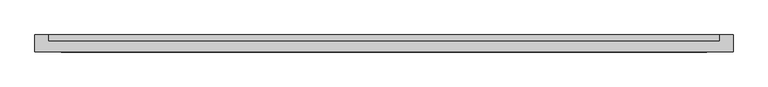
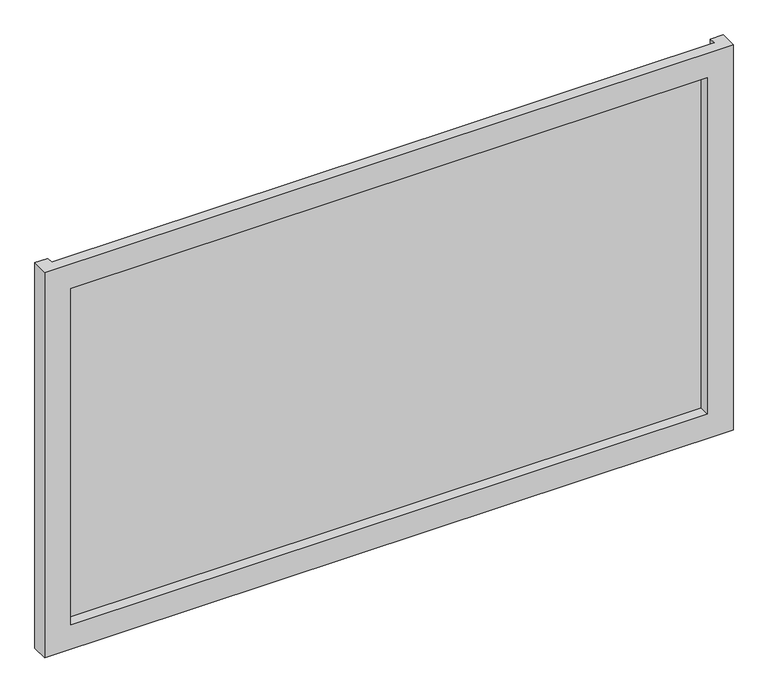
"""IFC4 building model written with IfcOpenShell, lengths in millimetres: plate geometry."""

from ifc_helpers import new_model, si_unit, origin, origin_with_axes, place, context, project, spatial, polyline, outline, extrude, faceted_brep, source, transform, mapped, element, save


def plate_0a6b0f3a(model_context):
    return source(origin(), model_context, "Body", "SolidModel", [
        faceted_brep([(662.5, -50.9, -50.0), (662.5, -83.3, -50.0), (-662.5, -83.3, -50.0), (-662.5, -50.9, -50.0), (-637.5, -50.9, -50.0), (-637.5, -63.3, -50.0), (637.5, -63.3, -50.0), (637.5, -50.9, -50.0), (612.5, -83.3, 0.0), (612.5, -63.3, 0.0), (-612.5, -63.3, 0.0), (-612.5, -83.3, 0.0), (662.5, -83.3, 735.0), (-662.5, -83.3, 735.0), (-612.5, -83.3, 685.0), (612.5, -83.3, 685.0), (-637.5, -63.3, 735.0), (637.5, -63.3, 735.0), (612.5, -63.3, 685.0), (-612.5, -63.3, 685.0), (662.5, -50.9, 735.0), (637.5, -50.9, 735.0), (-637.5, -50.9, 735.0), (-662.5, -50.9, 735.0)], [[[0, 1, 2, 3, 4, 5, 6, 7]], [[8, 9, 10, 11]], [[12, 13, 2, 1], [11, 14, 15, 8]], [[16, 17, 6, 5], [9, 18, 19, 10]], [[20, 21, 17, 16, 22, 23, 13, 12]], [[20, 0, 7, 21]], [[21, 7, 6, 17]], [[8, 15, 18, 9]], [[12, 1, 0, 20]], [[22, 4, 3, 23]], [[16, 5, 4, 22]], [[10, 19, 14, 11]], [[23, 3, 2, 13]], [[18, 15, 14, 19]]]),
        extrude(outline(polyline([(637.5, -50.9), (637.5, -63.3), (-637.5, -63.3), (-637.5, -50.9), (637.5, -50.9)])), origin_with_axes(), (0.0, 0.0, 1.0), 685.0),
    ])


if __name__ == "__main__":
    model = new_model("IFC4")
    model_context = context("Model", 3, world=origin())
    ifc_project = project(units=[si_unit("LENGTHUNIT", "METRE", prefix="MILLI")], contexts=[model_context])
    site = spatial("IfcSite", under=ifc_project)
    building = spatial("IfcBuilding", under=site)
    placement = place(None, origin())
    plate_shape = plate_0a6b0f3a(model_context)
    element("IfcPlate", 1, at=placement, inside=building, context=model_context, shape_type="MappedRepresentation", body=[
        mapped(plate_shape, transform((0.0, 0.0, 0.0), x_axis=(1.0, 0.0, 0.0), y_axis=(0.0, 1.0, 0.0), z_axis=(0.0, 0.0, 1.0))),
    ])
    save(model, "model.ifc")
